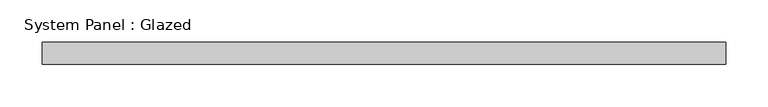
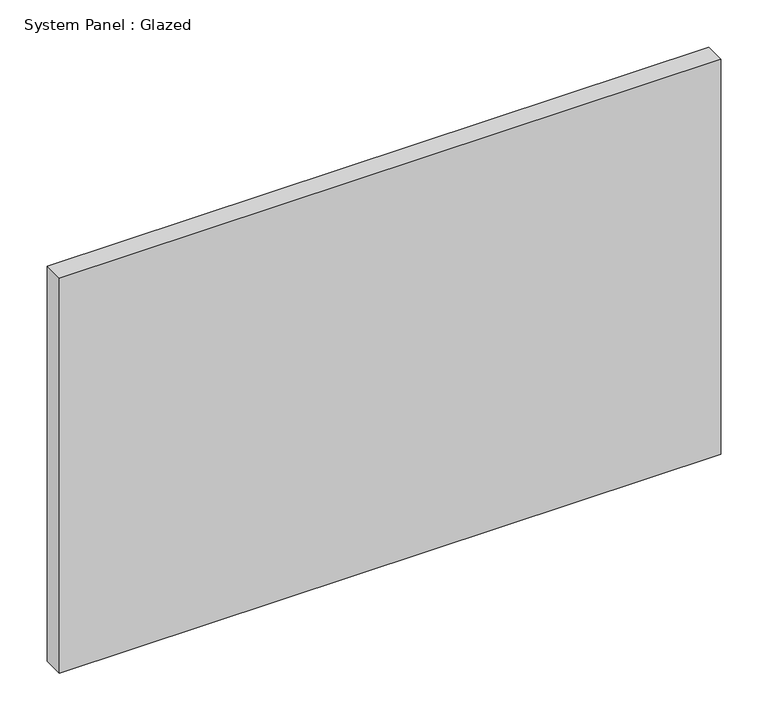
"""IFC4 building model written with IfcOpenShell, lengths in millimetres: plate geometry, System Panel : Glazed."""

from ifc_helpers import new_model, si_unit, origin, origin_with_axes, place, context, project, spatial, polyline, outline, extrude, source, transform, mapped, element, save


def system_panel_glazed_c8351d34(model_context):
    return source(origin(), model_context, "Body", "SweptSolid", [
        extrude(outline(polyline([(402.2251713, -12.7), (-402.2251713, -12.7), (-402.2251713, 12.7), (402.2251713, 12.7), (402.2251713, -12.7)])), origin_with_axes(), (0.0, 0.0, 1.0), 508.0),
    ])


if __name__ == "__main__":
    model = new_model("IFC4")
    model_context = context("Model", 3, world=origin())
    ifc_project = project(units=[si_unit("LENGTHUNIT", "METRE", prefix="MILLI")], contexts=[model_context])
    site = spatial("IfcSite", under=ifc_project)
    building = spatial("IfcBuilding", under=site)
    placement = place(None, origin())
    system_panel_glazed_shape = system_panel_glazed_c8351d34(model_context)
    element("IfcPlate", 1, ObjectType="System Panel : Glazed", at=placement, inside=building, context=model_context, shape_type="MappedRepresentation", body=[
        mapped(system_panel_glazed_shape, transform((0.0, 0.0, 0.0), x_axis=(1.0, 0.0, 0.0), y_axis=(0.0, 1.0, 0.0), z_axis=(0.0, 0.0, 1.0))),
    ])
    save(model, "model.ifc")
